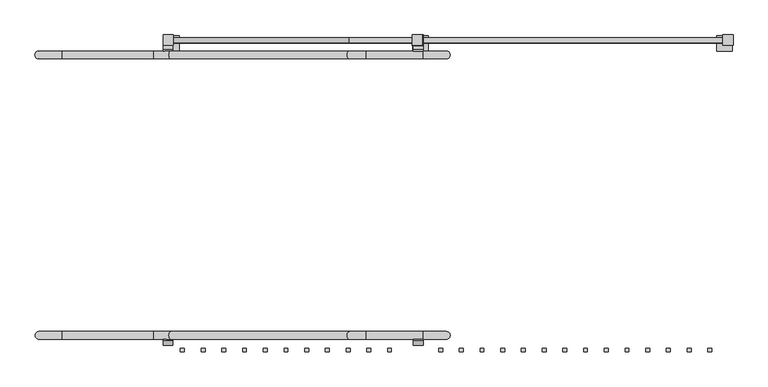
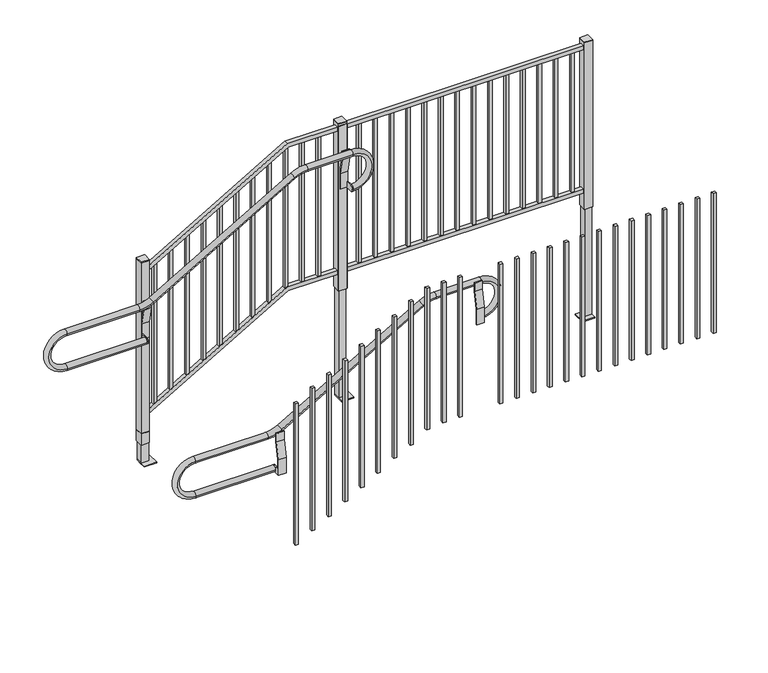
"""IFC4 building model written with IfcOpenShell, lengths in millimetres: proxy geometry."""

from ifc_helpers import new_model, si_unit, point, frame, frame_2d, origin, origin_with_axes, place, context, project, spatial, polyline, circle_curve, ellipse_curve, trimmed, segment, composite_curve, outline, extrude, source, transform, mapped, element, save
from ifc_brep_helpers import plane_surface, cylinder_surface, revolved_surface, advanced_brep


def specialty_equipment_31b3d781(model_context):
    return source(origin(), model_context, "Body", "SolidModel", [
        extrude(outline(polyline([(663.575, 752.1575), (663.575, 769.9375), (682.625, 769.9375), (682.625, 752.1575), (663.575, 752.1575)])), frame((0.0, 0.0, 838.2), z_axis=(0.0, 0.0, 1.0), x_axis=(1.0, 0.0, 0.0)), (0.0, 0.0, 1.0), 914.4),
        extrude(outline(polyline([(561.975, 752.1575), (561.975, 769.9375), (581.025, 769.9375), (581.025, 752.1575), (561.975, 752.1575)])), frame((0.0, 0.0, 838.2), z_axis=(0.0, 0.0, 1.0), x_axis=(1.0, 0.0, 0.0)), (0.0, 0.0, 1.0), 914.4),
        extrude(outline(polyline([(155.575, 752.1575), (155.575, 769.9375), (174.625, 769.9375), (174.625, 752.1575), (155.575, 752.1575)])), frame((0.0, 0.0, 838.2), z_axis=(0.0, 0.0, 1.0), x_axis=(1.0, 0.0, 0.0)), (0.0, 0.0, 1.0), 914.4),
        extrude(outline(polyline([(53.975, 752.1575), (53.975, 769.9375), (73.025, 769.9375), (73.025, 752.1575), (53.975, 752.1575)])), frame((0.0, 0.0, 838.2), z_axis=(0.0, 0.0, 1.0), x_axis=(1.0, 0.0, 0.0)), (0.0, 0.0, 1.0), 914.4),
        extrude(outline(polyline([(-47.625, 752.1575), (-47.625, 769.9375), (-28.575, 769.9375), (-28.575, 752.1575), (-47.625, 752.1575)])), frame((0.0, 0.0, 838.2), z_axis=(0.0, 0.0, 1.0), x_axis=(1.0, 0.0, 0.0)), (0.0, 0.0, 1.0), 914.4),
        extrude(outline(polyline([(460.375, 752.1575), (460.375, 769.9375), (479.425, 769.9375), (479.425, 752.1575), (460.375, 752.1575)])), frame((0.0, 0.0, 838.2), z_axis=(0.0, 0.0, 1.0), x_axis=(1.0, 0.0, 0.0)), (0.0, 0.0, 1.0), 914.4),
        extrude(outline(polyline([(358.775, 752.1575), (358.775, 769.9375), (377.825, 769.9375), (377.825, 752.1575), (358.775, 752.1575)])), frame((0.0, 0.0, 838.2), z_axis=(0.0, 0.0, 1.0), x_axis=(1.0, 0.0, 0.0)), (0.0, 0.0, 1.0), 914.4),
        extrude(outline(polyline([(257.175, 752.1575), (257.175, 769.9375), (276.225, 769.9375), (276.225, 752.1575), (257.175, 752.1575)])), frame((0.0, 0.0, 838.2), z_axis=(0.0, 0.0, 1.0), x_axis=(1.0, 0.0, 0.0)), (0.0, 0.0, 1.0), 914.4),
        extrude(outline(polyline([(-149.225, 752.1575), (-149.225, 769.9375), (-130.175, 769.9375), (-130.175, 752.1575), (-149.225, 752.1575)])), frame((0.0, 0.0, 838.2), z_axis=(0.0, 0.0, 1.0), x_axis=(1.0, 0.0, 0.0)), (0.0, 0.0, 1.0), 914.4),
        extrude(outline(polyline([(-250.825, 752.1575), (-250.825, 769.9375), (-231.775, 769.9375), (-231.775, 752.1575), (-250.825, 752.1575)])), frame((0.0, 0.0, 838.2), z_axis=(0.0, 0.0, 1.0), x_axis=(1.0, 0.0, 0.0)), (0.0, 0.0, 1.0), 914.4),
        extrude(outline(polyline([(-352.425, 752.1575), (-352.425, 769.9375), (-333.375, 769.9375), (-333.375, 752.1575), (-352.425, 752.1575)])), frame((0.0, 0.0, 838.2), z_axis=(0.0, 0.0, 1.0), x_axis=(1.0, 0.0, 0.0)), (0.0, 0.0, 1.0), 914.4),
        extrude(outline(polyline([(-454.025, 752.1575), (-454.025, 769.9375), (-434.975, 769.9375), (-434.975, 752.1575), (-454.025, 752.1575)])), frame((0.0, 0.0, 838.2), z_axis=(0.0, 0.0, 1.0), x_axis=(1.0, 0.0, 0.0)), (0.0, 0.0, 1.0), 914.4),
        extrude(outline(polyline([(-555.625, 752.1575), (-555.625, 769.9375), (-536.575, 769.9375), (-536.575, 752.1575), (-555.625, 752.1575)])), frame((0.0, 0.0, 838.2), z_axis=(0.0, 0.0, 1.0), x_axis=(1.0, 0.0, 0.0)), (0.0, 0.0, 1.0), 914.4),
        extrude(outline(polyline([(-657.225, 752.1575), (-657.225, 769.9375), (-638.175, 769.9375), (-638.175, 752.1575), (-657.225, 752.1575)])), frame((0.0, 0.0, 838.2), z_axis=(0.0, 0.0, 1.0), x_axis=(1.0, 0.0, 0.0)), (0.0, 0.0, 1.0), 914.4),
        extrude(outline(polyline([(-1924.05, 752.1575), (-1924.05, 769.9375), (-1905.0, 769.9375), (-1905.0, 752.1575), (-1924.05, 752.1575)])), frame((0.0, 0.0, 355.6), z_axis=(0.0, 0.0, 1.0), x_axis=(1.0, 0.0, 0.0)), (0.0, 0.0, 1.0), 924.6272672),
        extrude(outline(polyline([(-1822.45, 752.1575), (-1822.45, 769.9375), (-1803.4, 769.9375), (-1803.4, 752.1575), (-1822.45, 752.1575)])), frame((0.0, 0.0, 412.8599875), z_axis=(0.0, 0.0, 1.0), x_axis=(1.0, 0.0, 0.0)), (0.0, 0.0, 1.0), 933.3400125),
        extrude(outline(polyline([(-1720.85, 752.1575), (-1720.85, 769.9375), (-1701.8, 769.9375), (-1701.8, 752.1575), (-1720.85, 752.1575)])), frame((0.0, 0.0, 471.6227893), z_axis=(0.0, 0.0, 1.0), x_axis=(1.0, 0.0, 0.0)), (0.0, 0.0, 1.0), 929.2247594),
        extrude(outline(polyline([(-1619.25, 752.1575), (-1619.25, 769.9375), (-1600.2, 769.9375), (-1600.2, 752.1575), (-1619.25, 752.1575)])), frame((0.0, 0.0, 533.4), z_axis=(0.0, 0.0, 1.0), x_axis=(1.0, 0.0, 0.0)), (0.0, 0.0, 1.0), 923.7591755),
        extrude(outline(polyline([(-1517.65, 752.1575), (-1517.65, 769.9375), (-1498.6, 769.9375), (-1498.6, 752.1575), (-1517.65, 752.1575)])), frame((0.0, 0.0, 590.3223398), z_axis=(0.0, 0.0, 1.0), x_axis=(1.0, 0.0, 0.0)), (0.0, 0.0, 1.0), 926.1040137),
        extrude(outline(polyline([(-1416.05, 752.1575), (-1416.05, 769.9375), (-1397.0, 769.9375), (-1397.0, 752.1575), (-1416.05, 752.1575)])), frame((0.0, 0.0, 647.7), z_axis=(0.0, 0.0, 1.0), x_axis=(1.0, 0.0, 0.0)), (0.0, 0.0, 1.0), 932.616946),
        extrude(outline(polyline([(-1314.45, 752.1575), (-1314.45, 769.9375), (-1295.4, 769.9375), (-1295.4, 752.1575), (-1314.45, 752.1575)])), frame((0.0, 0.0, 711.2), z_axis=(0.0, 0.0, 1.0), x_axis=(1.0, 0.0, 0.0)), (0.0, 0.0, 1.0), 927.1),
        extrude(outline(polyline([(-1212.85, 752.1575), (-1212.85, 769.9375), (-1193.8, 769.9375), (-1193.8, 752.1575), (-1212.85, 752.1575)])), frame((0.0, 0.0, 762.0), z_axis=(0.0, 0.0, 1.0), x_axis=(1.0, 0.0, 0.0)), (0.0, 0.0, 1.0), 937.1820037),
        extrude(outline(polyline([(-1111.25, 752.1575), (-1111.25, 769.9375), (-1092.2, 769.9375), (-1092.2, 752.1575), (-1111.25, 752.1575)])), frame((0.0, 0.0, 826.7161524), z_axis=(0.0, 0.0, 1.0), x_axis=(1.0, 0.0, 0.0)), (0.0, 0.0, 1.0), 925.8838476),
        extrude(outline(polyline([(-1009.65, 752.1575), (-1009.65, 769.9375), (-990.6, 769.9375), (-990.6, 752.1575), (-1009.65, 752.1575)])), frame((0.0, 0.0, 838.2), z_axis=(0.0, 0.0, 1.0), x_axis=(1.0, 0.0, 0.0)), (0.0, 0.0, 1.0), 914.4),
        extrude(outline(polyline([(-908.05, 752.1575), (-908.05, 769.9375), (-889.0, 769.9375), (-889.0, 752.1575), (-908.05, 752.1575)])), frame((0.0, 0.0, 838.2), z_axis=(0.0, 0.0, 1.0), x_axis=(1.0, 0.0, 0.0)), (0.0, 0.0, 1.0), 914.4),
        extrude(outline(polyline([(-2009.775, 787.4), (-1958.975, 787.4), (-1958.975, 736.6), (-2009.775, 736.6), (-2009.775, 787.4)]), holes=[polyline([(-2006.6, 784.225), (-2006.6, 739.775), (-1962.15, 739.775), (-1962.15, 784.225), (-2006.6, 784.225)])]), frame((0.0, 0.0, 127.0), z_axis=(0.0, 0.0, 1.0), x_axis=(1.0, 0.0, 0.0)), (0.0, 0.0, 1.0), 73.025),
        extrude(outline(polyline([(1752.6, -1092.2), (1752.6, -787.4), (1778.0, -787.4), (1778.0, -1099.0668682), (1276.3869231, -1958.975), (1246.98125, -1958.975), (1752.6, -1092.2)])), frame((0.0, 747.7125, 0.0), z_axis=(0.0, 1.0, 0.0), x_axis=(0.0, 0.0, 1.0)), (0.0, 0.0, 1.0), 25.4),
        extrude(outline(polyline([(812.8, -1092.2), (812.8, -787.4), (838.2, -787.4), (838.2, -1099.0668682), (336.5869231, -1958.975), (307.18125, -1958.975), (812.8, -1092.2)])), frame((0.0, 747.7125, 0.0), z_axis=(0.0, 1.0, 0.0), x_axis=(0.0, 0.0, 1.0)), (0.0, 0.0, 1.0), 25.4),
        extrude(outline(polyline([(-1958.975, 787.4), (-1958.975, 736.6), (-2009.775, 736.6), (-2009.775, 787.4), (-1958.975, 787.4)])), frame((0.0, 0.0, 1320.8), z_axis=(0.0, 0.0, 1.0), x_axis=(1.0, 0.0, 0.0)), (0.0, 0.0, 1.0), 6.35),
        extrude(outline(polyline([(-2009.775, 787.4), (-1958.975, 787.4), (-1958.975, 736.6), (-2009.775, 736.6), (-2009.775, 787.4)]), holes=[polyline([(-2006.6, 784.225), (-2006.6, 739.775), (-1962.15, 739.775), (-1962.15, 784.225), (-2006.6, 784.225)])]), frame((0.0, 0.0, 203.2), z_axis=(0.0, 0.0, 1.0), x_axis=(1.0, 0.0, 0.0)), (0.0, 0.0, 1.0), 1117.6),
        extrude(outline(polyline([(-736.6, 787.4), (-736.6, 736.6), (-787.4, 736.6), (-787.4, 787.4), (-736.6, 787.4)])), frame((0.0, 0.0, 1803.4), z_axis=(0.0, 0.0, 1.0), x_axis=(1.0, 0.0, 0.0)), (0.0, 0.0, 1.0), 3.175),
        extrude(outline(polyline([(-787.4, 787.4), (-736.6, 787.4), (-736.6, 736.6), (-787.4, 736.6), (-787.4, 787.4)]), holes=[polyline([(-784.225, 784.225), (-784.225, 739.775), (-739.775, 739.775), (-739.775, 784.225), (-784.225, 784.225)])]), frame((0.0, 0.0, 711.2), z_axis=(0.0, 0.0, 1.0), x_axis=(1.0, 0.0, 0.0)), (0.0, 0.0, 1.0), 1092.2),
        extrude(outline(polyline([(787.4, 787.4), (787.4, 736.6), (736.6, 736.6), (736.6, 787.4), (787.4, 787.4)])), frame((0.0, 0.0, 1803.4), z_axis=(0.0, 0.0, 1.0), x_axis=(1.0, 0.0, 0.0)), (0.0, 0.0, 1.0), 3.175),
        extrude(outline(polyline([(736.6, 773.1125), (736.6, 747.7125), (-733.425, 747.7125), (-733.425, 773.1125), (736.6, 773.1125)])), frame((0.0, 0.0, 812.8), z_axis=(0.0, 0.0, 1.0), x_axis=(1.0, 0.0, 0.0)), (0.0, 0.0, 1.0), 25.4),
        extrude(outline(polyline([(736.6, 773.1125), (736.6, 747.7125), (-733.425, 747.7125), (-733.425, 773.1125), (736.6, 773.1125)])), frame((0.0, 0.0, 1752.6), z_axis=(0.0, 0.0, 1.0), x_axis=(1.0, 0.0, 0.0)), (0.0, 0.0, 1.0), 25.4),
        extrude(outline(polyline([(-787.4, 733.425), (-787.4, 736.6), (-736.6, 736.6), (-736.6, 787.4), (-733.425, 787.4), (-733.425, 733.425), (-736.6, 733.425), (-787.4, 733.425)])), frame((0.0, 0.0, 711.2), z_axis=(0.0, 0.0, 1.0), x_axis=(1.0, 0.0, 0.0)), (0.0, 0.0, 1.0), 1079.5),
        extrude(outline(polyline([(736.6, 787.4), (787.4, 787.4), (787.4, 736.6), (736.6, 736.6), (736.6, 787.4)]), holes=[polyline([(739.775, 784.225), (739.775, 739.775), (784.225, 739.775), (784.225, 784.225), (739.775, 784.225)])]), frame((0.0, 0.0, 711.2), z_axis=(0.0, 0.0, 1.0), x_axis=(1.0, 0.0, 0.0)), (0.0, 0.0, 1.0), 1092.2),
        extrude(outline(polyline([(-1930.4, 784.225), (-1930.4, 708.025), (-2006.6, 708.025), (-2006.6, 784.225), (-1930.4, 784.225)])), origin_with_axes(), (0.0, 0.0, 1.0), 6.35),
        extrude(outline(polyline([(-1962.15, 739.775), (-2006.6, 739.775), (-2006.6, 784.225), (-1962.15, 784.225), (-1962.15, 739.775)])), origin_with_axes(), (0.0, 0.0, 1.0), 787.4),
        extrude(outline(polyline([(663.575, -752.1575), (682.625, -752.1575), (682.625, -769.9375), (663.575, -769.9375), (663.575, -752.1575)])), frame((0.0, 0.0, 838.2), z_axis=(0.0, 0.0, 1.0), x_axis=(1.0, 0.0, 0.0)), (0.0, 0.0, 1.0), 914.4),
        extrude(outline(polyline([(561.975, -752.1575), (581.025, -752.1575), (581.025, -769.9375), (561.975, -769.9375), (561.975, -752.1575)])), frame((0.0, 0.0, 838.2), z_axis=(0.0, 0.0, 1.0), x_axis=(1.0, 0.0, 0.0)), (0.0, 0.0, 1.0), 914.4),
        extrude(outline(polyline([(155.575, -752.1575), (174.625, -752.1575), (174.625, -769.9375), (155.575, -769.9375), (155.575, -752.1575)])), frame((0.0, 0.0, 838.2), z_axis=(0.0, 0.0, 1.0), x_axis=(1.0, 0.0, 0.0)), (0.0, 0.0, 1.0), 914.4),
        extrude(outline(polyline([(53.975, -752.1575), (73.025, -752.1575), (73.025, -769.9375), (53.975, -769.9375), (53.975, -752.1575)])), frame((0.0, 0.0, 838.2), z_axis=(0.0, 0.0, 1.0), x_axis=(1.0, 0.0, 0.0)), (0.0, 0.0, 1.0), 914.4),
        extrude(outline(polyline([(-47.625, -752.1575), (-28.575, -752.1575), (-28.575, -769.9375), (-47.625, -769.9375), (-47.625, -752.1575)])), frame((0.0, 0.0, 838.2), z_axis=(0.0, 0.0, 1.0), x_axis=(1.0, 0.0, 0.0)), (0.0, 0.0, 1.0), 914.4),
        extrude(outline(polyline([(460.375, -752.1575), (479.425, -752.1575), (479.425, -769.9375), (460.375, -769.9375), (460.375, -752.1575)])), frame((0.0, 0.0, 838.2), z_axis=(0.0, 0.0, 1.0), x_axis=(1.0, 0.0, 0.0)), (0.0, 0.0, 1.0), 914.4),
        extrude(outline(polyline([(358.775, -752.1575), (377.825, -752.1575), (377.825, -769.9375), (358.775, -769.9375), (358.775, -752.1575)])), frame((0.0, 0.0, 838.2), z_axis=(0.0, 0.0, 1.0), x_axis=(1.0, 0.0, 0.0)), (0.0, 0.0, 1.0), 914.4),
        extrude(outline(polyline([(257.175, -752.1575), (276.225, -752.1575), (276.225, -769.9375), (257.175, -769.9375), (257.175, -752.1575)])), frame((0.0, 0.0, 838.2), z_axis=(0.0, 0.0, 1.0), x_axis=(1.0, 0.0, 0.0)), (0.0, 0.0, 1.0), 914.4),
        extrude(outline(polyline([(-149.225, -752.1575), (-130.175, -752.1575), (-130.175, -769.9375), (-149.225, -769.9375), (-149.225, -752.1575)])), frame((0.0, 0.0, 838.2), z_axis=(0.0, 0.0, 1.0), x_axis=(1.0, 0.0, 0.0)), (0.0, 0.0, 1.0), 914.4),
        extrude(outline(polyline([(-250.825, -752.1575), (-231.775, -752.1575), (-231.775, -769.9375), (-250.825, -769.9375), (-250.825, -752.1575)])), frame((0.0, 0.0, 838.2), z_axis=(0.0, 0.0, 1.0), x_axis=(1.0, 0.0, 0.0)), (0.0, 0.0, 1.0), 914.4),
        extrude(outline(polyline([(-352.425, -752.1575), (-333.375, -752.1575), (-333.375, -769.9375), (-352.425, -769.9375), (-352.425, -752.1575)])), frame((0.0, 0.0, 838.2), z_axis=(0.0, 0.0, 1.0), x_axis=(1.0, 0.0, 0.0)), (0.0, 0.0, 1.0), 914.4),
        extrude(outline(polyline([(-454.025, -752.1575), (-434.975, -752.1575), (-434.975, -769.9375), (-454.025, -769.9375), (-454.025, -752.1575)])), frame((0.0, 0.0, 838.2), z_axis=(0.0, 0.0, 1.0), x_axis=(1.0, 0.0, 0.0)), (0.0, 0.0, 1.0), 914.4),
        extrude(outline(polyline([(-555.625, -752.1575), (-536.575, -752.1575), (-536.575, -769.9375), (-555.625, -769.9375), (-555.625, -752.1575)])), frame((0.0, 0.0, 838.2), z_axis=(0.0, 0.0, 1.0), x_axis=(1.0, 0.0, 0.0)), (0.0, 0.0, 1.0), 914.4),
        extrude(outline(polyline([(-657.225, -752.1575), (-638.175, -752.1575), (-638.175, -769.9375), (-657.225, -769.9375), (-657.225, -752.1575)])), frame((0.0, 0.0, 838.2), z_axis=(0.0, 0.0, 1.0), x_axis=(1.0, 0.0, 0.0)), (0.0, 0.0, 1.0), 914.4),
        extrude(outline(polyline([(-1924.05, -752.1575), (-1905.0, -752.1575), (-1905.0, -769.9375), (-1924.05, -769.9375), (-1924.05, -752.1575)])), frame((0.0, 0.0, 355.6), z_axis=(0.0, 0.0, 1.0), x_axis=(1.0, 0.0, 0.0)), (0.0, 0.0, 1.0), 924.6272672),
        extrude(outline(polyline([(-1822.45, -752.1575), (-1803.4, -752.1575), (-1803.4, -769.9375), (-1822.45, -769.9375), (-1822.45, -752.1575)])), frame((0.0, 0.0, 412.8599875), z_axis=(0.0, 0.0, 1.0), x_axis=(1.0, 0.0, 0.0)), (0.0, 0.0, 1.0), 933.3400125),
        extrude(outline(polyline([(-1720.85, -752.1575), (-1701.8, -752.1575), (-1701.8, -769.9375), (-1720.85, -769.9375), (-1720.85, -752.1575)])), frame((0.0, 0.0, 471.6227893), z_axis=(0.0, 0.0, 1.0), x_axis=(1.0, 0.0, 0.0)), (0.0, 0.0, 1.0), 929.2247594),
        extrude(outline(polyline([(-1619.25, -752.1575), (-1600.2, -752.1575), (-1600.2, -769.9375), (-1619.25, -769.9375), (-1619.25, -752.1575)])), frame((0.0, 0.0, 533.4), z_axis=(0.0, 0.0, 1.0), x_axis=(1.0, 0.0, 0.0)), (0.0, 0.0, 1.0), 923.7591755),
        extrude(outline(polyline([(-1517.65, -752.1575), (-1498.6, -752.1575), (-1498.6, -769.9375), (-1517.65, -769.9375), (-1517.65, -752.1575)])), frame((0.0, 0.0, 590.3223398), z_axis=(0.0, 0.0, 1.0), x_axis=(1.0, 0.0, 0.0)), (0.0, 0.0, 1.0), 926.1040137),
        extrude(outline(polyline([(-1416.05, -752.1575), (-1397.0, -752.1575), (-1397.0, -769.9375), (-1416.05, -769.9375), (-1416.05, -752.1575)])), frame((0.0, 0.0, 647.7), z_axis=(0.0, 0.0, 1.0), x_axis=(1.0, 0.0, 0.0)), (0.0, 0.0, 1.0), 932.616946),
        extrude(outline(polyline([(-1314.45, -752.1575), (-1295.4, -752.1575), (-1295.4, -769.9375), (-1314.45, -769.9375), (-1314.45, -752.1575)])), frame((0.0, 0.0, 711.2), z_axis=(0.0, 0.0, 1.0), x_axis=(1.0, 0.0, 0.0)), (0.0, 0.0, 1.0), 927.1),
        extrude(outline(polyline([(-1212.85, -752.1575), (-1193.8, -752.1575), (-1193.8, -769.9375), (-1212.85, -769.9375), (-1212.85, -752.1575)])), frame((0.0, 0.0, 762.0), z_axis=(0.0, 0.0, 1.0), x_axis=(1.0, 0.0, 0.0)), (0.0, 0.0, 1.0), 937.1820037),
        extrude(outline(polyline([(-1111.25, -752.1575), (-1092.2, -752.1575), (-1092.2, -769.9375), (-1111.25, -769.9375), (-1111.25, -752.1575)])), frame((0.0, 0.0, 826.7161524), z_axis=(0.0, 0.0, 1.0), x_axis=(1.0, 0.0, 0.0)), (0.0, 0.0, 1.0), 925.8838476),
        extrude(outline(polyline([(-1009.65, -752.1575), (-990.6, -752.1575), (-990.6, -769.9375), (-1009.65, -769.9375), (-1009.65, -752.1575)])), frame((0.0, 0.0, 838.2), z_axis=(0.0, 0.0, 1.0), x_axis=(1.0, 0.0, 0.0)), (0.0, 0.0, 1.0), 914.4),
        extrude(outline(polyline([(-908.05, -752.1575), (-889.0, -752.1575), (-889.0, -769.9375), (-908.05, -769.9375), (-908.05, -752.1575)])), frame((0.0, 0.0, 838.2), z_axis=(0.0, 0.0, 1.0), x_axis=(1.0, 0.0, 0.0)), (0.0, 0.0, 1.0), 914.4),
        extrude(outline(polyline([(730.25, 1479.55), (707.9384968, 1584.51737), (707.9384968, 1638.3), (714.2884968, 1638.3), (714.2884968, 1585.1847818), (736.6, 1480.2174119), (736.6, 1377.95), (730.25, 1377.95), (730.25, 1479.55)])), frame((-781.05, 0.0, 0.0), z_axis=(1.0, 0.0, 0.0), x_axis=(0.0, 1.0, 0.0)), (0.0, 0.0, 1.0), 47.625),
        extrude(outline(composite_curve([segment(polyline([(736.6, 1416.05), (736.6, 1377.95), (688.975, 1377.95)]), True, "CONTINUOUS"), segment(trimmed(circle_curve(frame_2d((688.975, 1397.0)), 19.05), [point((688.975, 1377.95))], [point((669.925, 1397.0))], False, "CARTESIAN"), True, "CONTINUOUS"), segment(trimmed(circle_curve(frame_2d((688.975, 1397.0)), 19.05), [point((669.925, 1397.0))], [point((688.975, 1416.05))], False, "CARTESIAN"), True, "CONTINUOUS"), segment(polyline([(688.975, 1416.05), (736.6, 1416.05)]), True, "CONTINUOUS")], self_intersect=False)), frame((-739.775, 0.0, 0.0), z_axis=(1.0, 0.0, 0.0), x_axis=(0.0, 1.0, 0.0)), (0.0, 0.0, 1.0), 6.35),
        extrude(outline(polyline([(730.25, 924.2695511), (707.9384968, 1029.2369211), (707.9384968, 1084.9864455), (714.2884968, 1084.9864455), (714.2884968, 1029.904333), (736.6, 924.936963), (736.6, 822.6695511), (730.25, 822.6695511), (730.25, 924.2695511)])), frame((-2009.775, 0.0, 0.0), z_axis=(1.0, 0.0, 0.0), x_axis=(0.0, 1.0, 0.0)), (0.0, 0.0, 1.0), 47.625),
        extrude(outline(composite_curve([segment(polyline([(736.6, 860.7695511), (736.6, 822.6695511), (688.975, 822.6695511)]), True, "CONTINUOUS"), segment(trimmed(circle_curve(frame_2d((688.975, 841.7195511)), 19.05), [point((688.975, 822.6695511))], [point((669.925, 841.7195511))], False, "CARTESIAN"), True, "CONTINUOUS"), segment(trimmed(circle_curve(frame_2d((688.975, 841.7195511)), 19.05), [point((669.925, 841.7195511))], [point((688.975, 860.7695511))], False, "CARTESIAN"), True, "CONTINUOUS"), segment(polyline([(688.975, 860.7695511), (736.6, 860.7695511)]), True, "CONTINUOUS")], self_intersect=False)), frame((-2009.775, 0.0, 0.0), z_axis=(1.0, 0.0, 0.0), x_axis=(0.0, 1.0, 0.0)), (0.0, 0.0, 1.0), 6.35),
        advanced_brep(
        [(-733.425, 669.925, 1397.0), (-733.425, 708.025, 1397.0), (-733.425, 708.025, 1625.6), (-733.425, 669.925, 1625.6), (-1013.2310158, 669.925, 1625.6), (-1013.2310158, 708.025, 1625.6), (-1096.4201221, 708.025, 1603.1098965), (-1096.4201221, 669.925, 1603.1098965), (-1971.2205369, 669.925, 1092.8096546), (-1971.2205369, 708.025, 1092.8096546), (-2054.4096432, 708.025, 1070.3195511), (-2054.4096432, 669.925, 1070.3195511), (-2505.075, 669.925, 1070.3195511), (-2505.075, 708.025, 1070.3195511), (-2505.075, 708.025, 841.7195511), (-2505.075, 669.925, 841.7195511), (-2009.775, 669.925, 841.7195511), (-2009.775, 708.025, 841.7195511)],
        [
            (0, 1, circle_curve(frame((-733.425, 688.975, 1397.0), z_axis=(-1.0, 0.0, 0.0), x_axis=(0.0, 1.0, 0.0)), 19.05)),
            (1, 0, circle_curve(frame((-733.425, 688.975, 1397.0), z_axis=(-1.0, 0.0, 0.0), x_axis=(0.0, 1.0, 0.0)), 19.05)),
            (2, 1, circle_curve(frame((-733.425, 708.025, 1511.3), z_axis=(0.0, 1.0, 0.0), x_axis=(0.0, 0.0, -1.0)), 114.3)),
            (0, 3, circle_curve(frame((-733.425, 669.925, 1511.3), z_axis=(0.0, -1.0, 0.0), x_axis=(0.0, 0.0, -1.0)), 114.3)),
            (3, 2, circle_curve(frame((-733.425, 688.975, 1625.6), z_axis=(1.0, 0.0, 0.0), x_axis=(0.0, 1.0, 0.0)), 19.05)),
            (2, 3, circle_curve(frame((-733.425, 688.975, 1625.6), z_axis=(1.0, 0.0, 0.0), x_axis=(0.0, 1.0, 0.0)), 19.05)),
            (3, 4),
            (4, 5, circle_curve(frame((-1013.2310158, 688.975, 1625.6), z_axis=(1.0, 0.0, 0.0), x_axis=(0.0, 1.0, 0.0)), 19.05)),
            (5, 2),
            (5, 4, circle_curve(frame((-1013.2310158, 688.975, 1625.6), z_axis=(1.0, 0.0, 0.0), x_axis=(0.0, 1.0, 0.0)), 19.05)),
            (6, 5, circle_curve(frame((-1013.2310158, 708.025, 1460.5), z_axis=(0.0, 1.0, 0.0), x_axis=(0.0, 0.0, 1.0)), 165.1)),
            (4, 7, circle_curve(frame((-1013.2310158, 669.925, 1460.5), z_axis=(0.0, -1.0, 0.0), x_axis=(0.0, 0.0, 1.0)), 165.1)),
            (7, 6, circle_curve(frame((-1096.4201221, 688.975, 1603.1098965), z_axis=(0.8637789008984373, 0.0, 0.5038710255240796), x_axis=(0.0, 1.0, 0.0)), 19.05)),
            (6, 7, circle_curve(frame((-1096.4201221, 688.975, 1603.1098965), z_axis=(0.8637789008984372, 0.0, 0.5038710255240797), x_axis=(0.0, 1.0, 0.0)), 19.05)),
            (7, 8),
            (8, 9, circle_curve(frame((-1971.2205369, 688.975, 1092.8096546), z_axis=(0.8637789008984347, 0.0, 0.503871025524084), x_axis=(0.0, 1.0, 0.0)), 19.05)),
            (9, 6),
            (9, 8, circle_curve(frame((-1971.2205369, 688.975, 1092.8096546), z_axis=(0.8637789008984347, 0.0, 0.503871025524084), x_axis=(0.0, 1.0, 0.0)), 19.05)),
            (10, 9, circle_curve(frame((-2054.4096432, 708.025, 1235.4195511), z_axis=(0.0, -1.0, 0.0), x_axis=(0.5038710255240921, 0.0, -0.8637789008984299)), 165.1)),
            (8, 11, circle_curve(frame((-2054.4096432, 669.925, 1235.4195511), z_axis=(0.0, 1.0, 0.0), x_axis=(0.5038710255240921, 0.0, -0.8637789008984299)), 165.1)),
            (11, 10, circle_curve(frame((-2054.4096432, 688.975, 1070.3195511), z_axis=(1.0, 0.0, 0.0), x_axis=(0.0, 1.0, 0.0)), 19.05)),
            (10, 11, circle_curve(frame((-2054.4096432, 688.975, 1070.3195511), z_axis=(0.9999999999999999, 0.0, 0.0), x_axis=(0.0, 1.0, 0.0)), 19.05)),
            (11, 12),
            (12, 13, circle_curve(frame((-2505.075, 688.975, 1070.3195511), z_axis=(1.0, 0.0, 0.0), x_axis=(0.0, 1.0, 0.0)), 19.05)),
            (13, 10),
            (13, 12, circle_curve(frame((-2505.075, 688.975, 1070.3195511), z_axis=(1.0, 0.0, 0.0), x_axis=(0.0, 1.0, 0.0)), 19.05)),
            (14, 13, circle_curve(frame((-2505.075, 708.025, 956.0195511), z_axis=(0.0, 1.0, 0.0), x_axis=(0.0, 0.0, 1.0)), 114.3)),
            (12, 15, circle_curve(frame((-2505.075, 669.925, 956.0195511), z_axis=(0.0, -1.0, 0.0), x_axis=(0.0, 0.0, 1.0)), 114.3)),
            (15, 14, circle_curve(frame((-2505.075, 688.975, 841.7195511), z_axis=(-1.0, 0.0, 0.0), x_axis=(0.0, 1.0, 0.0)), 19.05)),
            (14, 15, circle_curve(frame((-2505.075, 688.975, 841.7195511), z_axis=(-1.0, 0.0, 0.0), x_axis=(0.0, 1.0, 0.0)), 19.05)),
            (16, 17, circle_curve(frame((-2009.775, 688.975, 841.7195511), z_axis=(1.0, 0.0, 0.0), x_axis=(0.0, 1.0, 0.0)), 19.05)),
            (17, 16, circle_curve(frame((-2009.775, 688.975, 841.7195511), z_axis=(1.0, 0.0, 0.0), x_axis=(0.0, 1.0, 0.0)), 19.05)),
            (15, 16),
            (17, 14),
        ],
        [
            plane_surface(frame((-733.425, 736.6, 1397.0), z_axis=(-1.0, 0.0, 0.0), x_axis=(0.0, 1.0, 0.0))),
            revolved_surface(trimmed(ellipse_curve(frame((-733.425, 688.975, 1397.0), z_axis=(-1.0, 0.0, 0.0), x_axis=(0.0, 1.0, 0.0)), 19.05, 19.05), [point((-733.425, 669.925, 1397.0))], [point((-733.425, 708.025, 1397.0))], True, "CARTESIAN"), (-733.425, 736.6, 1511.3), (0.0, -1.0, 0.0)),
            revolved_surface(trimmed(ellipse_curve(frame((-733.425, 688.975, 1397.0), z_axis=(-1.0, 0.0, 0.0), x_axis=(0.0, 1.0, 0.0)), 19.05, 19.05), [point((-733.425, 708.025, 1397.0))], [point((-733.425, 669.925, 1397.0))], True, "CARTESIAN"), (-733.425, 736.6, 1511.3), (0.0, -1.0, 0.0)),
            cylinder_surface(frame((-733.425, 688.975, 1625.6), z_axis=(1.0, 0.0, 0.0), x_axis=(0.0, 1.0, 0.0)), 19.05),
            revolved_surface(trimmed(ellipse_curve(frame((-1013.2310158, 688.975, 1625.6), z_axis=(1.0, 0.0, 0.0), x_axis=(0.0, 1.0, 0.0)), 19.05, 19.05), [point((-1013.2310158, 669.925, 1625.6))], [point((-1013.2310158, 708.025, 1625.6))], True, "CARTESIAN"), (-1013.2310158, 736.6, 1460.5), (0.0, -1.0, 0.0)),
            revolved_surface(trimmed(ellipse_curve(frame((-1013.2310158, 688.975, 1625.6), z_axis=(1.0, 0.0, 0.0), x_axis=(0.0, 1.0, 0.0)), 19.05, 19.05), [point((-1013.2310158, 708.025, 1625.6))], [point((-1013.2310158, 669.925, 1625.6))], True, "CARTESIAN"), (-1013.2310158, 736.6, 1460.5), (0.0, -1.0, 0.0)),
            cylinder_surface(frame((-1096.4201221, 688.975, 1603.1098965), z_axis=(0.8637789008984347, 0.0, 0.503871025524084), x_axis=(0.0, 1.0, 0.0)), 19.05),
            revolved_surface(trimmed(ellipse_curve(frame((-1971.2205369, 688.975, 1092.8096546), z_axis=(0.8637789008984299, 0.0, 0.5038710255240921), x_axis=(0.0, 1.0, 0.0)), 19.05, 19.05), [point((-1971.2205369, 669.925, 1092.8096546))], [point((-1971.2205369, 708.025, 1092.8096546))], True, "CARTESIAN"), (-2054.4096432, 736.6, 1235.4195511), (0.0, 1.0, 0.0)),
            revolved_surface(trimmed(ellipse_curve(frame((-1971.2205369, 688.975, 1092.8096546), z_axis=(0.8637789008984299, 0.0, 0.5038710255240921), x_axis=(0.0, 1.0, 0.0)), 19.05, 19.05), [point((-1971.2205369, 708.025, 1092.8096546))], [point((-1971.2205369, 669.925, 1092.8096546))], True, "CARTESIAN"), (-2054.4096432, 736.6, 1235.4195511), (0.0, 1.0, 0.0)),
            cylinder_surface(frame((-2054.4096432, 688.975, 1070.3195511), z_axis=(1.0, 0.0, 0.0), x_axis=(0.0, 1.0, 0.0)), 19.05),
            revolved_surface(trimmed(ellipse_curve(frame((-2505.075, 688.975, 1070.3195511), z_axis=(1.0, 0.0, 0.0), x_axis=(0.0, 1.0, 0.0)), 19.05, 19.05), [point((-2505.075, 669.925, 1070.3195511))], [point((-2505.075, 708.025, 1070.3195511))], True, "CARTESIAN"), (-2505.075, 736.6, 956.0195511), (0.0, -1.0, 0.0)),
            revolved_surface(trimmed(ellipse_curve(frame((-2505.075, 688.975, 1070.3195511), z_axis=(1.0, 0.0, 0.0), x_axis=(0.0, 1.0, 0.0)), 19.05, 19.05), [point((-2505.075, 708.025, 1070.3195511))], [point((-2505.075, 669.925, 1070.3195511))], True, "CARTESIAN"), (-2505.075, 736.6, 956.0195511), (0.0, -1.0, 0.0)),
            plane_surface(frame((-2009.775, 736.6, 841.7195511), z_axis=(1.0, 0.0, 0.0), x_axis=(0.0, 1.0, 0.0))),
            cylinder_surface(frame((-2505.075, 688.975, 841.7195511), z_axis=(-1.0, 0.0, 0.0), x_axis=(0.0, 1.0, 0.0)), 19.05),
        ],
        [
            (0, [[1, 2]]),
            (1, [[3, -1, 4, 5]]),
            (2, [[-4, -2, -3, 6]]),
            (3, [[-5, 7, 8, 9]]),
            (3, [[-6, -9, 10, -7]]),
            (4, [[11, -8, 12, 13]]),
            (5, [[-12, -10, -11, 14]]),
            (6, [[-13, 15, 16, 17]]),
            (6, [[-14, -17, 18, -15]]),
            (7, [[19, -16, 20, 21]]),
            (8, [[-20, -18, -19, 22]]),
            (9, [[-21, 23, 24, 25]]),
            (9, [[-22, -25, 26, -23]]),
            (10, [[27, -24, 28, 29]]),
            (11, [[-28, -26, -27, 30]]),
            (12, [[31, 32]]),
            (13, [[-29, 33, -32, 34]]),
            (13, [[-30, -34, -31, -33]]),
        ],
    ),
        advanced_brep(
        [(-739.775, -688.975, 1416.05), (-739.775, -669.925, 1397.0), (-739.775, -688.975, 1377.95), (-739.775, -730.25, 1377.95), (-739.775, -730.25, 1416.05), (-733.425, -688.975, 1377.95), (-733.425, -669.925, 1397.0), (-733.425, -688.975, 1416.05), (-733.425, -730.25, 1416.05), (-733.425, -730.25, 1479.55), (-733.425, -707.9384968, 1584.51737), (-733.425, -707.9384968, 1638.3), (-733.425, -714.2884968, 1638.3), (-733.425, -714.2884968, 1585.1847818), (-733.425, -736.6, 1480.2174119), (-733.425, -736.6, 1377.95), (-781.05, -736.6, 1377.95), (-781.05, -730.25, 1377.95), (-781.05, -736.6, 1480.2174119), (-781.05, -730.25, 1479.55), (-781.05, -714.2884968, 1585.1847818), (-781.05, -714.2884968, 1638.3), (-781.05, -707.9384968, 1638.3), (-781.05, -707.9384968, 1584.51737)],
        [
            (0, 1, circle_curve(frame((-739.775, -688.975, 1397.0), z_axis=(-1.0, 0.0, 0.0), x_axis=(0.0, -1.0, 0.0)), 19.05)),
            (1, 2, circle_curve(frame((-739.775, -688.975, 1397.0), z_axis=(-1.0, 0.0, 0.0), x_axis=(0.0, -1.0, 0.0)), 19.05)),
            (2, 3),
            (3, 4),
            (4, 0),
            (5, 6, circle_curve(frame((-733.425, -688.975, 1397.0), z_axis=(1.0, 0.0, 0.0), x_axis=(0.0, -1.0, 0.0)), 19.05)),
            (6, 7, circle_curve(frame((-733.425, -688.975, 1397.0), z_axis=(1.0, 0.0, 0.0), x_axis=(0.0, -1.0, 0.0)), 19.05)),
            (7, 8),
            (8, 9),
            (9, 10),
            (10, 11),
            (11, 12),
            (12, 13),
            (13, 14),
            (14, 15),
            (15, 5),
            (7, 0),
            (4, 8),
            (6, 1),
            (5, 2),
            (15, 16),
            (16, 17),
            (17, 3),
            (14, 18),
            (18, 16),
            (19, 17),
            (18, 20),
            (20, 21),
            (21, 22),
            (22, 23),
            (23, 19),
            (19, 9),
            (13, 20),
            (12, 21),
            (11, 22),
            (10, 23),
        ],
        [
            plane_surface(frame((-739.775, -688.975, 1416.05), z_axis=(-1.0, 0.0, 0.0), x_axis=(0.0, 1.0, 0.0))),
            plane_surface(frame((-733.425, -688.975, 1416.05), z_axis=(1.0, 0.0, 0.0), x_axis=(0.0, -1.0, 0.0))),
            plane_surface(frame((-739.775, -736.6, 1416.05), z_axis=(0.0, 0.0, 1.0), x_axis=(1.0, 0.0, 0.0))),
            cylinder_surface(frame((-733.425, -688.975, 1397.0), z_axis=(-1.0, 0.0, 0.0), x_axis=(0.0, -1.0, 0.0)), 19.05),
            plane_surface(frame((-739.775, -688.975, 1377.95), z_axis=(0.0, 0.0, -1.0), x_axis=(1.0, 0.0, 0.0))),
            plane_surface(frame((-739.775, -736.6, 1377.95), z_axis=(0.0, -1.0, 0.0), x_axis=(1.0, 0.0, 0.0))),
            plane_surface(frame((-781.05, -730.25, 1377.95), z_axis=(-1.0, 0.0, 0.0), x_axis=(0.0, 0.0, -1.0))),
            plane_surface(frame((-781.05, -730.25, 1479.55), z_axis=(0.0, 1.0, 0.0), x_axis=(1.0, 0.0, 0.0))),
            plane_surface(frame((-781.05, -736.6, 1480.2174119), z_axis=(0.0, -0.978147600733805, 0.20791169081776223), x_axis=(1.0, 0.0, 0.0))),
            plane_surface(frame((-781.05, -714.2884968, 1585.1847818), z_axis=(0.0, -1.0, 0.0), x_axis=(1.0, 0.0, 0.0))),
            plane_surface(frame((-781.05, -714.2884968, 1638.3), z_axis=(0.0, 0.0, 1.0), x_axis=(1.0, 0.0, 0.0))),
            plane_surface(frame((-781.05, -707.9384968, 1638.3), z_axis=(0.0, 1.0, 0.0), x_axis=(1.0, 0.0, 0.0))),
            plane_surface(frame((-781.05, -707.9384968, 1584.51737), z_axis=(0.0, 0.9781476007338052, -0.2079116908177614), x_axis=(1.0, 0.0, 0.0))),
        ],
        [
            (0, [[1, 2, 3, 4, 5]]),
            (1, [[6, 7, 8, 9, 10, 11, 12, 13, 14, 15, 16]]),
            (2, [[17, -5, 18, -8]]),
            (3, [[-1, -17, -7, 19]]),
            (3, [[-2, -19, -6, 20]]),
            (4, [[-20, -16, 21, 22, 23, -3]]),
            (5, [[-21, -15, 24, 25]]),
            (6, [[26, -22, -25, 27, 28, 29, 30, 31]]),
            (7, [[-26, 32, -9, -18, -4, -23]]),
            (8, [[-27, -24, -14, 33]]),
            (9, [[-28, -33, -13, 34]]),
            (10, [[-29, -34, -12, 35]]),
            (11, [[-30, -35, -11, 36]]),
            (12, [[-31, -36, -10, -32]]),
        ],
    ),
        advanced_brep(
        [(-2003.425, -688.975, 822.6695511), (-2003.425, -669.925, 841.7195511), (-2003.425, -688.975, 860.7695511), (-2003.425, -730.25, 860.7695511), (-2003.425, -730.25, 822.6695511), (-2009.775, -688.975, 860.7695511), (-2009.775, -669.925, 841.7195511), (-2009.775, -688.975, 822.6695511), (-2009.775, -736.6, 822.6695511), (-2009.775, -736.6, 924.936963), (-2009.775, -714.2884968, 1029.904333), (-2009.775, -714.2884968, 1084.9864455), (-2009.775, -707.9384968, 1084.9864455), (-2009.775, -707.9384968, 1029.2369211), (-2009.775, -730.25, 924.2695511), (-2009.775, -730.25, 860.7695511), (-1962.15, -736.6, 822.6695511), (-1962.15, -736.6, 924.936963), (-1962.15, -730.25, 822.6695511), (-1962.15, -730.25, 924.2695511), (-1962.15, -707.9384968, 1029.2369211), (-1962.15, -707.9384968, 1084.9864455), (-1962.15, -714.2884968, 1084.9864455), (-1962.15, -714.2884968, 1029.904333)],
        [
            (0, 1, circle_curve(frame((-2003.425, -688.975, 841.7195511), z_axis=(1.0, 0.0, 0.0), x_axis=(0.0, -1.0, 0.0)), 19.05)),
            (1, 2, circle_curve(frame((-2003.425, -688.975, 841.7195511), z_axis=(1.0, 0.0, 0.0), x_axis=(0.0, -1.0, 0.0)), 19.05)),
            (2, 3),
            (3, 4),
            (4, 0),
            (5, 6, circle_curve(frame((-2009.775, -688.975, 841.7195511), z_axis=(-1.0, 0.0, 0.0), x_axis=(0.0, -1.0, 0.0)), 19.05)),
            (6, 7, circle_curve(frame((-2009.775, -688.975, 841.7195511), z_axis=(-1.0, 0.0, 0.0), x_axis=(0.0, -1.0, 0.0)), 19.05)),
            (7, 8),
            (8, 9),
            (9, 10),
            (10, 11),
            (11, 12),
            (12, 13),
            (13, 14),
            (14, 15),
            (15, 5),
            (8, 16),
            (16, 17),
            (17, 9),
            (7, 0),
            (4, 18),
            (18, 16),
            (6, 1),
            (5, 2),
            (15, 3),
            (19, 20),
            (20, 21),
            (21, 22),
            (22, 23),
            (23, 17),
            (18, 19),
            (19, 14),
            (13, 20),
            (12, 21),
            (11, 22),
            (10, 23),
        ],
        [
            plane_surface(frame((-2003.425, -736.6, 822.6695511), z_axis=(1.0, 0.0, 0.0), x_axis=(0.0, 0.0, -1.0))),
            plane_surface(frame((-2009.775, -736.6, 822.6695511), z_axis=(-1.0, 0.0, 0.0), x_axis=(0.0, 0.0, 1.0))),
            plane_surface(frame((-2003.425, -736.6, 860.7695511), z_axis=(0.0, -1.0, 0.0), x_axis=(-1.0, 0.0, 0.0))),
            plane_surface(frame((-2003.425, -736.6, 822.6695511), z_axis=(0.0, 0.0, -1.0), x_axis=(-1.0, 0.0, 0.0))),
            cylinder_surface(frame((-2009.775, -688.975, 841.7195511), z_axis=(1.0, 0.0, 0.0), x_axis=(0.0, -1.0, 0.0)), 19.05),
            plane_surface(frame((-2003.425, -688.975, 860.7695511), z_axis=(0.0, 0.0, 1.0), x_axis=(-1.0, 0.0, 0.0))),
            plane_surface(frame((-1962.15, -730.25, 924.2695511), z_axis=(1.0000000000000002, 0.0, 0.0), x_axis=(0.0, 0.2079116908177614, 0.9781476007338052))),
            plane_surface(frame((-1962.15, -730.25, 924.2695511), z_axis=(0.0, 0.9781476007338052, -0.2079116908177614), x_axis=(-1.0, 0.0, 0.0))),
            plane_surface(frame((-1962.15, -707.9384968, 1029.2369211), z_axis=(0.0, 1.0, 0.0), x_axis=(-1.0, 0.0, 0.0))),
            plane_surface(frame((-1962.15, -707.9384968, 1084.9864455), z_axis=(0.0, 0.0, 1.0), x_axis=(-1.0, 0.0, 0.0))),
            plane_surface(frame((-1962.15, -714.2884968, 1084.9864455), z_axis=(0.0, -1.0, 0.0), x_axis=(-1.0, 0.0, 0.0))),
            plane_surface(frame((-1962.15, -714.2884968, 1029.904333), z_axis=(0.0, -0.978147600733805, 0.2079116908177625), x_axis=(-1.0, 0.0, 0.0))),
            plane_surface(frame((-1962.15, -730.25, 822.6695511), z_axis=(0.0, 1.0, 0.0), x_axis=(-1.0, 0.0, 0.0))),
        ],
        [
            (0, [[1, 2, 3, 4, 5]]),
            (1, [[6, 7, 8, 9, 10, 11, 12, 13, 14, 15, 16]]),
            (2, [[-9, 17, 18, 19]]),
            (3, [[-17, -8, 20, -5, 21, 22]]),
            (4, [[-1, -20, -7, 23]]),
            (4, [[-2, -23, -6, 24]]),
            (5, [[-24, -16, 25, -3]]),
            (6, [[26, 27, 28, 29, 30, -18, -22, 31]]),
            (7, [[-26, 32, -14, 33]]),
            (8, [[-27, -33, -13, 34]]),
            (9, [[-28, -34, -12, 35]]),
            (10, [[-29, -35, -11, 36]]),
            (11, [[-30, -36, -10, -19]]),
            (12, [[-31, -21, -4, -25, -15, -32]]),
        ],
    ),
        advanced_brep(
        [(-733.425, -669.925, 1397.0), (-733.425, -708.025, 1397.0), (-733.425, -708.025, 1625.6), (-733.425, -669.925, 1625.6), (-1013.2310158, -669.925, 1625.6), (-1013.2310158, -708.025, 1625.6), (-1096.4201221, -708.025, 1603.1098965), (-1096.4201221, -669.925, 1603.1098965), (-1971.2205369, -669.925, 1092.8096546), (-1971.2205369, -708.025, 1092.8096546), (-2054.4096432, -708.025, 1070.3195511), (-2054.4096432, -669.925, 1070.3195511), (-2505.075, -669.925, 1070.3195511), (-2505.075, -708.025, 1070.3195511), (-2505.075, -708.025, 841.7195511), (-2505.075, -669.925, 841.7195511), (-2009.775, -669.925, 841.7195511), (-2009.775, -708.025, 841.7195511)],
        [
            (0, 1, circle_curve(frame((-733.425, -688.975, 1397.0), z_axis=(-1.0, 0.0, 0.0), x_axis=(0.0, -1.0, 0.0)), 19.05)),
            (1, 0, circle_curve(frame((-733.425, -688.975, 1397.0), z_axis=(-1.0, 0.0, 0.0), x_axis=(0.0, -1.0, 0.0)), 19.05)),
            (2, 1, circle_curve(frame((-733.425, -708.025, 1511.3), z_axis=(0.0, 1.0, 0.0), x_axis=(0.0, 0.0, -1.0)), 114.3)),
            (0, 3, circle_curve(frame((-733.425, -669.925, 1511.3), z_axis=(0.0, -1.0, 0.0), x_axis=(0.0, 0.0, -1.0)), 114.3)),
            (3, 2, circle_curve(frame((-733.425, -688.975, 1625.6), z_axis=(1.0, 0.0, 0.0), x_axis=(0.0, -1.0, 0.0)), 19.05)),
            (2, 3, circle_curve(frame((-733.425, -688.975, 1625.6), z_axis=(1.0, 0.0, 0.0), x_axis=(0.0, -1.0, 0.0)), 19.05)),
            (3, 4),
            (4, 5, circle_curve(frame((-1013.2310158, -688.975, 1625.6), z_axis=(1.0, 0.0, 0.0), x_axis=(0.0, -1.0, 0.0)), 19.05)),
            (5, 2),
            (5, 4, circle_curve(frame((-1013.2310158, -688.975, 1625.6), z_axis=(1.0, 0.0, 0.0), x_axis=(0.0, -1.0, 0.0)), 19.05)),
            (6, 5, circle_curve(frame((-1013.2310158, -708.025, 1460.5), z_axis=(0.0, 1.0, 0.0), x_axis=(0.0, 0.0, 1.0)), 165.1)),
            (4, 7, circle_curve(frame((-1013.2310158, -669.925, 1460.5), z_axis=(0.0, -1.0, 0.0), x_axis=(0.0, 0.0, 1.0)), 165.1)),
            (7, 6, circle_curve(frame((-1096.4201221, -688.975, 1603.1098965), z_axis=(0.8637789008984373, 0.0, 0.5038710255240796), x_axis=(0.0, -1.0, 0.0)), 19.05)),
            (6, 7, circle_curve(frame((-1096.4201221, -688.975, 1603.1098965), z_axis=(0.8637789008984372, 0.0, 0.5038710255240797), x_axis=(0.0, -1.0, 0.0)), 19.05)),
            (7, 8),
            (8, 9, circle_curve(frame((-1971.2205369, -688.975, 1092.8096546), z_axis=(0.8637789008984347, 0.0, 0.503871025524084), x_axis=(0.0, -1.0, 0.0)), 19.05)),
            (9, 6),
            (9, 8, circle_curve(frame((-1971.2205369, -688.975, 1092.8096546), z_axis=(0.8637789008984347, 0.0, 0.503871025524084), x_axis=(0.0, -1.0, 0.0)), 19.05)),
            (10, 9, circle_curve(frame((-2054.4096432, -708.025, 1235.4195511), z_axis=(0.0, -1.0, 0.0), x_axis=(0.5038710255240921, 0.0, -0.8637789008984299)), 165.1)),
            (8, 11, circle_curve(frame((-2054.4096432, -669.925, 1235.4195511), z_axis=(0.0, 1.0, 0.0), x_axis=(0.5038710255240921, 0.0, -0.8637789008984299)), 165.1)),
            (11, 10, circle_curve(frame((-2054.4096432, -688.975, 1070.3195511), z_axis=(1.0, 0.0, 0.0), x_axis=(0.0, -1.0, 0.0)), 19.05)),
            (10, 11, circle_curve(frame((-2054.4096432, -688.975, 1070.3195511), z_axis=(1.0, 0.0, 0.0), x_axis=(0.0, -1.0, 0.0)), 19.05)),
            (11, 12),
            (12, 13, circle_curve(frame((-2505.075, -688.975, 1070.3195511), z_axis=(1.0, 0.0, 0.0), x_axis=(0.0, -1.0, 0.0)), 19.05)),
            (13, 10),
            (13, 12, circle_curve(frame((-2505.075, -688.975, 1070.3195511), z_axis=(1.0, 0.0, 0.0), x_axis=(0.0, -1.0, 0.0)), 19.05)),
            (14, 13, circle_curve(frame((-2505.075, -708.025, 956.0195511), z_axis=(0.0, 1.0, 0.0), x_axis=(0.0, 0.0, 1.0)), 114.3)),
            (12, 15, circle_curve(frame((-2505.075, -669.925, 956.0195511), z_axis=(0.0, -1.0, 0.0), x_axis=(0.0, 0.0, 1.0)), 114.3)),
            (15, 14, circle_curve(frame((-2505.075, -688.975, 841.7195511), z_axis=(-1.0, 0.0, 0.0), x_axis=(0.0, -1.0, 0.0)), 19.05)),
            (14, 15, circle_curve(frame((-2505.075, -688.975, 841.7195511), z_axis=(-1.0, 0.0, 0.0), x_axis=(0.0, -1.0, 0.0)), 19.05)),
            (16, 17, circle_curve(frame((-2009.775, -688.975, 841.7195511), z_axis=(1.0, 0.0, 0.0), x_axis=(0.0, -1.0, 0.0)), 19.05)),
            (17, 16, circle_curve(frame((-2009.775, -688.975, 841.7195511), z_axis=(1.0, 0.0, 0.0), x_axis=(0.0, -1.0, 0.0)), 19.05)),
            (15, 16),
            (17, 14),
        ],
        [
            plane_surface(frame((-733.425, -736.6, 1397.0), z_axis=(-1.0, 0.0, 0.0), x_axis=(0.0, 1.0, 0.0))),
            revolved_surface(trimmed(ellipse_curve(frame((-733.425, -688.975, 1397.0), z_axis=(-1.0, 0.0, 0.0), x_axis=(0.0, -1.0, 0.0)), 19.05, 19.05), [point((-733.425, -669.925, 1397.0))], [point((-733.425, -708.025, 1397.0))], True, "CARTESIAN"), (-733.425, -736.6, 1511.3), (0.0, -1.0, 0.0)),
            revolved_surface(trimmed(ellipse_curve(frame((-733.425, -688.975, 1397.0), z_axis=(-1.0, 0.0, 0.0), x_axis=(0.0, -1.0, 0.0)), 19.05, 19.05), [point((-733.425, -708.025, 1397.0))], [point((-733.425, -669.925, 1397.0))], True, "CARTESIAN"), (-733.425, -736.6, 1511.3), (0.0, -1.0, 0.0)),
            cylinder_surface(frame((-733.425, -688.975, 1625.6), z_axis=(1.0, 0.0, 0.0), x_axis=(0.0, -1.0, 0.0)), 19.05),
            revolved_surface(trimmed(ellipse_curve(frame((-1013.2310158, -688.975, 1625.6), z_axis=(1.0, 0.0, 0.0), x_axis=(0.0, -1.0, 0.0)), 19.05, 19.05), [point((-1013.2310158, -669.925, 1625.6))], [point((-1013.2310158, -708.025, 1625.6))], True, "CARTESIAN"), (-1013.2310158, -736.6, 1460.5), (0.0, -1.0, 0.0)),
            revolved_surface(trimmed(ellipse_curve(frame((-1013.2310158, -688.975, 1625.6), z_axis=(1.0, 0.0, 0.0), x_axis=(0.0, -1.0, 0.0)), 19.05, 19.05), [point((-1013.2310158, -708.025, 1625.6))], [point((-1013.2310158, -669.925, 1625.6))], True, "CARTESIAN"), (-1013.2310158, -736.6, 1460.5), (0.0, -1.0, 0.0)),
            cylinder_surface(frame((-1096.4201221, -688.975, 1603.1098965), z_axis=(0.8637789008984347, 0.0, 0.503871025524084), x_axis=(0.0, -1.0, 0.0)), 19.05),
            revolved_surface(trimmed(ellipse_curve(frame((-1971.2205369, -688.975, 1092.8096546), z_axis=(0.8637789008984299, 0.0, 0.5038710255240921), x_axis=(0.0, -1.0, 0.0)), 19.05, 19.05), [point((-1971.2205369, -669.925, 1092.8096546))], [point((-1971.2205369, -708.025, 1092.8096546))], True, "CARTESIAN"), (-2054.4096432, -736.6, 1235.4195511), (0.0, 1.0, 0.0)),
            revolved_surface(trimmed(ellipse_curve(frame((-1971.2205369, -688.975, 1092.8096546), z_axis=(0.8637789008984299, 0.0, 0.5038710255240921), x_axis=(0.0, -1.0, 0.0)), 19.05, 19.05), [point((-1971.2205369, -708.025, 1092.8096546))], [point((-1971.2205369, -669.925, 1092.8096546))], True, "CARTESIAN"), (-2054.4096432, -736.6, 1235.4195511), (0.0, 1.0, 0.0)),
            cylinder_surface(frame((-2054.4096432, -688.975, 1070.3195511), z_axis=(1.0, 0.0, 0.0), x_axis=(0.0, -1.0, 0.0)), 19.05),
            revolved_surface(trimmed(ellipse_curve(frame((-2505.075, -688.975, 1070.3195511), z_axis=(1.0, 0.0, 0.0), x_axis=(0.0, -1.0, 0.0)), 19.05, 19.05), [point((-2505.075, -669.925, 1070.3195511))], [point((-2505.075, -708.025, 1070.3195511))], True, "CARTESIAN"), (-2505.075, -736.6, 956.0195511), (0.0, -1.0, 0.0)),
            revolved_surface(trimmed(ellipse_curve(frame((-2505.075, -688.975, 1070.3195511), z_axis=(1.0, 0.0, 0.0), x_axis=(0.0, -1.0, 0.0)), 19.05, 19.05), [point((-2505.075, -708.025, 1070.3195511))], [point((-2505.075, -669.925, 1070.3195511))], True, "CARTESIAN"), (-2505.075, -736.6, 956.0195511), (0.0, -1.0, 0.0)),
            plane_surface(frame((-2009.775, -736.6, 841.7195511), z_axis=(1.0, 0.0, 0.0), x_axis=(0.0, 1.0, 0.0))),
            cylinder_surface(frame((-2505.075, -688.975, 841.7195511), z_axis=(-1.0, 0.0, 0.0), x_axis=(0.0, -1.0, 0.0)), 19.05),
        ],
        [
            (0, [[1, 2]]),
            (1, [[3, -1, 4, 5]]),
            (2, [[-4, -2, -3, 6]]),
            (3, [[-5, 7, 8, 9]]),
            (3, [[-6, -9, 10, -7]]),
            (4, [[11, -8, 12, 13]]),
            (5, [[-12, -10, -11, 14]]),
            (6, [[-13, 15, 16, 17]]),
            (6, [[-14, -17, 18, -15]]),
            (7, [[19, -16, 20, 21]]),
            (8, [[-20, -18, -19, 22]]),
            (9, [[-21, 23, 24, 25]]),
            (9, [[-22, -25, 26, -23]]),
            (10, [[27, -24, 28, 29]]),
            (11, [[-28, -26, -27, 30]]),
            (12, [[31, 32]]),
            (13, [[-29, 33, -32, 34]]),
            (13, [[-30, -34, -31, -33]]),
        ],
    ),
        extrude(outline(polyline([(-708.025, 784.225), (-708.025, 708.025), (-784.225, 708.025), (-784.225, 784.225), (-708.025, 784.225)])), origin_with_axes(), (0.0, 0.0, 1.0), 6.35),
        extrude(outline(polyline([(-739.775, 739.775), (-784.225, 739.775), (-784.225, 784.225), (-739.775, 784.225), (-739.775, 739.775)])), origin_with_axes(), (0.0, 0.0, 1.0), 1320.8),
        extrude(outline(polyline([(708.025, 784.225), (784.225, 784.225), (784.225, 708.025), (708.025, 708.025), (708.025, 784.225)])), origin_with_axes(), (0.0, 0.0, 1.0), 6.35),
        extrude(outline(polyline([(739.775, 739.775), (739.775, 784.225), (784.225, 784.225), (784.225, 739.775), (739.775, 739.775)])), origin_with_axes(), (0.0, 0.0, 1.0), 711.2),
    ])


if __name__ == "__main__":
    model = new_model("IFC4")
    model_context = context("Model", 3, world=origin())
    ifc_project = project(units=[si_unit("LENGTHUNIT", "METRE", prefix="MILLI")], contexts=[model_context])
    site = spatial("IfcSite", under=ifc_project)
    building = spatial("IfcBuilding", under=site)
    placement = place(None, origin())
    specialty_equipment_shape = specialty_equipment_31b3d781(model_context)
    element("IfcBuildingElementProxy", 1, Name="Specialty Equipment", at=placement, inside=building, context=model_context, shape_type="MappedRepresentation", body=[
        mapped(specialty_equipment_shape, transform((0.0, 0.0, 0.0), x_axis=(1.0, 0.0, 0.0), y_axis=(0.0, 1.0, 0.0), z_axis=(0.0, 0.0, 1.0))),
    ])
    save(model, "model.ifc")
